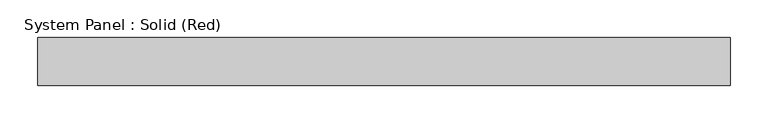
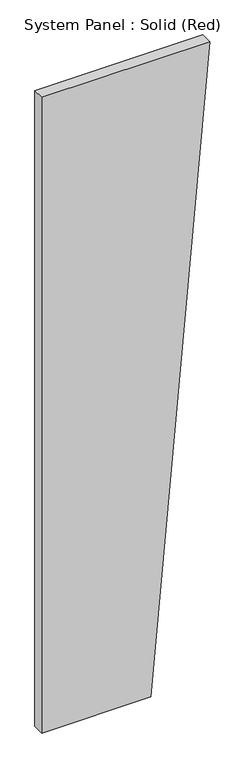
"""IFC4 building model written with IfcOpenShell, lengths in millimetres: plate geometry, System Panel : Solid (Red)."""

from ifc_helpers import new_model, si_unit, frame, origin, place, context, project, spatial, polyline, outline, extrude, source, transform, mapped, element, save


def system_panel_solid_red_d7c04b69(model_context):
    return source(origin(), model_context, "Body", "SweptSolid", [
        extrude(outline(polyline([(0.0, -457.1999998), (0.0, 136.3578946), (3657.6, 457.1999998), (3657.6, -457.1999998), (0.0, -457.1999998)])), frame((0.0, -19.05, 0.0), z_axis=(0.0, 1.0, 0.0), x_axis=(0.0, 0.0, 1.0)), (0.0, 0.0, 1.0), 63.5),
    ])


if __name__ == "__main__":
    model = new_model("IFC4")
    model_context = context("Model", 3, world=origin())
    ifc_project = project(units=[si_unit("LENGTHUNIT", "METRE", prefix="MILLI")], contexts=[model_context])
    site = spatial("IfcSite", under=ifc_project)
    building = spatial("IfcBuilding", under=site)
    placement = place(None, origin())
    system_panel_solid_red_shape = system_panel_solid_red_d7c04b69(model_context)
    element("IfcPlate", 1, ObjectType="System Panel : Solid (Red)", at=placement, inside=building, context=model_context, shape_type="MappedRepresentation", body=[
        mapped(system_panel_solid_red_shape, transform((0.0, 0.0, 0.0), x_axis=(1.0, 0.0, 0.0), y_axis=(0.0, 1.0, 0.0), z_axis=(0.0, 0.0, 1.0))),
    ])
    save(model, "model.ifc")
